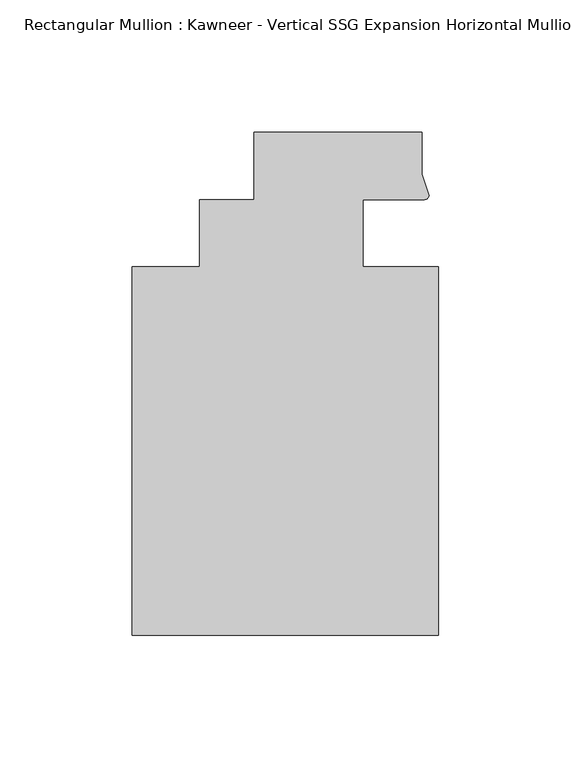
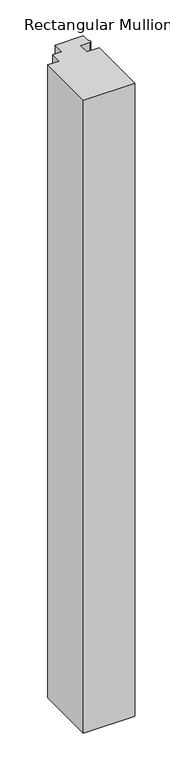
"""IFC4 building model written with IfcOpenShell, lengths in millimetres: member geometry."""

from ifc_helpers import new_model, si_unit, point, frame, frame_2d, origin, place, context, project, spatial, polyline, circle_curve, trimmed, segment, composite_curve, outline, extrude, source, transform, mapped, element, save


def member_c472968a(model_context):
    return source(origin(), model_context, "Body", "SweptSolid", [
        extrude(outline(composite_curve([segment(polyline([(48.2997293, 12.7000881), (25.0401592, 12.7000881), (25.0401592, -12.7), (53.615046, -12.7), (53.615046, -151.892), (-62.2957636, -151.892), (-62.2957636, -12.7), (-36.8958768, -12.7), (-36.8958768, 12.7), (-16.234954, 12.7), (-16.234954, 38.1), (47.265046, 38.1), (47.265046, 22.2250977), (49.9159011, 14.2884292)]), True, "CONTINUOUS"), segment(trimmed(circle_curve(frame_2d((48.2162832, 14.401412)), 1.703369), [point((49.9159011, 14.2884292))], [point((48.2997293, 12.7000881))], False, "CARTESIAN"), True, "CONTINUOUS")], self_intersect=False)), frame((0.0, 0.0, -1513.3454004), z_axis=(0.0, 0.0, 1.0), x_axis=(1.0, 0.0, 0.0)), (0.0, 0.0, 1.0), 1513.3454004),
    ])


if __name__ == "__main__":
    model = new_model("IFC4")
    model_context = context("Model", 3, world=origin())
    ifc_project = project(units=[si_unit("LENGTHUNIT", "METRE", prefix="MILLI")], contexts=[model_context])
    site = spatial("IfcSite", under=ifc_project)
    building = spatial("IfcBuilding", under=site)
    placement = place(None, origin())
    member_shape = member_c472968a(model_context)
    element("IfcMember", 1, ObjectType="Rectangular Mullion : Kawneer - Vertical SSG Expansion Horizontal Mullion - 7 1/2\"", at=placement, inside=building, context=model_context, shape_type="MappedRepresentation", body=[
        mapped(member_shape, transform((0.0, 0.0, 0.0), x_axis=(1.0, 0.0, 0.0), y_axis=(0.0, 1.0, 0.0), z_axis=(0.0, 0.0, 1.0))),
    ])
    save(model, "model.ifc")
